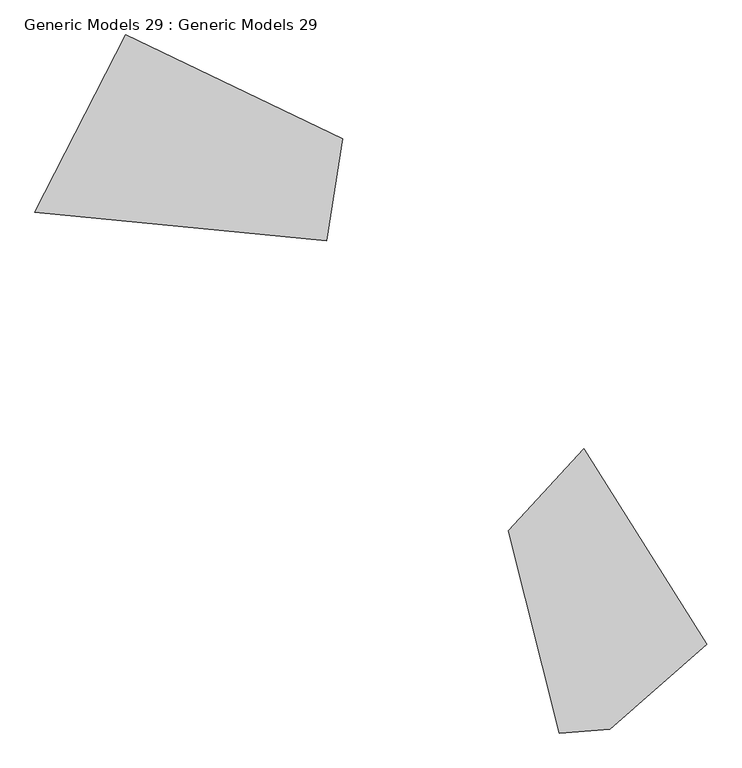
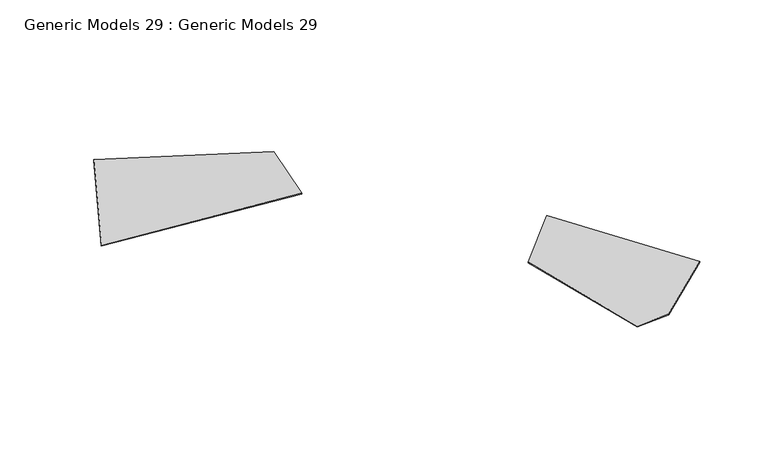
"""IFC4 building model written with IfcOpenShell, lengths in millimetres: proxy geometry, Generic Models 29 : Generic Models 29."""

from ifc_helpers import new_model, si_unit, frame, origin, place, context, project, spatial, polyline, outline, extrude, source, transform, mapped, element, save


def generic_models_29_generic_models_29_6153b66b(model_context):
    return source(origin(), model_context, "Body", "SweptSolid", [
        extrude(outline(polyline([(-276109.8472568, 53951.9877712), (-247624.5050574, 40335.0294651), (-249718.9337143, 26961.7240582), (-287984.9552085, 30687.0523034), (-276109.8472568, 53951.9877712)])), frame((0.0, 0.0, 632.2575543), z_axis=(0.0, 0.0, 1.0), x_axis=(1.0, 0.0, 0.0)), (0.0, 0.0, 1.0), 167.7424457),
        extrude(outline(polyline([(-212585.5579371, -37089.422446), (-219179.6061727, -37564.6013264), (-225903.6978771, -11058.0758763), (-215973.7887453, -311.7450648), (-199835.2446226, -25913.2078761), (-212585.5579371, -37089.422446)])), frame((0.0, 0.0, 632.2575543), z_axis=(0.0, 0.0, 1.0), x_axis=(1.0, 0.0, 0.0)), (0.0, 0.0, 1.0), 167.7424457),
    ])


if __name__ == "__main__":
    model = new_model("IFC4")
    model_context = context("Model", 3, world=origin())
    ifc_project = project(units=[si_unit("LENGTHUNIT", "METRE", prefix="MILLI")], contexts=[model_context])
    site = spatial("IfcSite", under=ifc_project)
    building = spatial("IfcBuilding", under=site)
    placement = place(None, origin())
    generic_models_29_generic_models_29_shape = generic_models_29_generic_models_29_6153b66b(model_context)
    element("IfcBuildingElementProxy", 1, Name="Generic Models 29 : Generic Models 29", ObjectType="Generic Models 29 : Generic Models 29", at=placement, inside=building, context=model_context, shape_type="MappedRepresentation", body=[
        mapped(generic_models_29_generic_models_29_shape, transform((0.0, 0.0, 0.0), x_axis=(1.0, 0.0, 0.0), y_axis=(0.0, 1.0, 0.0), z_axis=(0.0, 0.0, 1.0))),
    ])
    save(model, "model.ifc")
